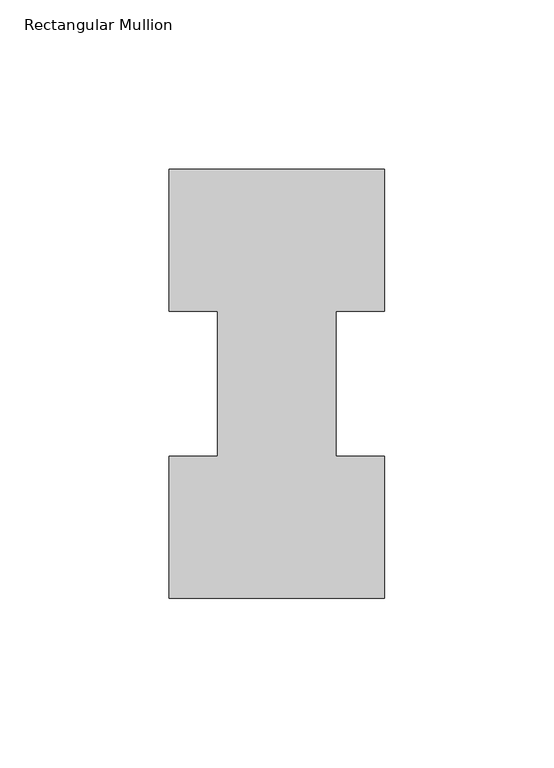
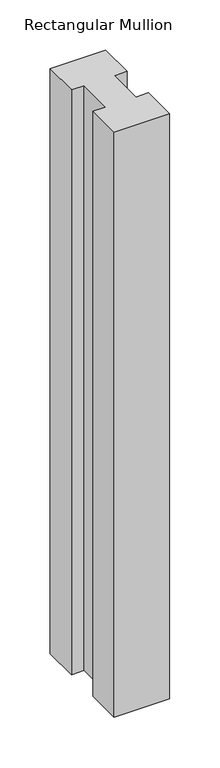
"""IFC4 building model written with IfcOpenShell, lengths in millimetres: member geometry, Rectangular Mullion."""

from ifc_helpers import new_model, si_unit, frame, origin, place, context, project, spatial, polyline, outline, extrude, source, transform, mapped, element, save


def rectangular_mullion_f3518f22(model_context):
    return source(origin(), model_context, "Body", "SweptSolid", [
        extrude(outline(polyline([(-63.5, 0.2967757), (-63.5, 42.1178757), (-49.2125, 42.1178757), (-49.2125, 84.93125), (-63.5, 84.93125), (-63.5, 126.7887757), (0.0, 126.7887757), (0.0, 84.93125), (-14.2748, 84.93125), (-14.2748, 42.1178757), (0.0, 42.1178757), (0.0, 0.2967757), (-63.5, 0.2967757)])), frame((0.0, 0.0, -708.1184633), z_axis=(0.0, 0.0, 1.0), x_axis=(1.0, 0.0, 0.0)), (0.0, 0.0, 1.0), 708.1184633),
    ])


if __name__ == "__main__":
    model = new_model("IFC4")
    model_context = context("Model", 3, world=origin())
    ifc_project = project(units=[si_unit("LENGTHUNIT", "METRE", prefix="MILLI")], contexts=[model_context])
    site = spatial("IfcSite", under=ifc_project)
    building = spatial("IfcBuilding", under=site)
    placement = place(None, origin())
    rectangular_mullion_shape = rectangular_mullion_f3518f22(model_context)
    element("IfcMember", 1, ObjectType="Rectangular Mullion", at=placement, inside=building, context=model_context, shape_type="MappedRepresentation", body=[
        mapped(rectangular_mullion_shape, transform((0.0, 0.0, 0.0), x_axis=(1.0, 0.0, 0.0), y_axis=(0.0, 1.0, 0.0), z_axis=(0.0, 0.0, 1.0))),
    ])
    save(model, "model.ifc")
